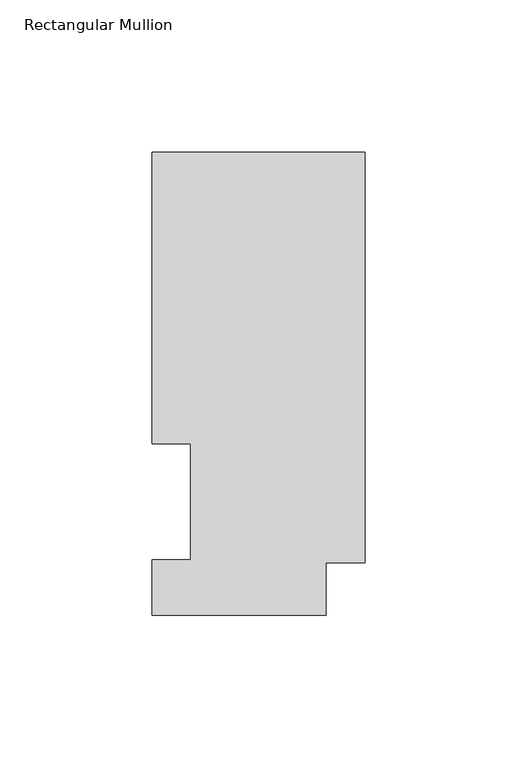
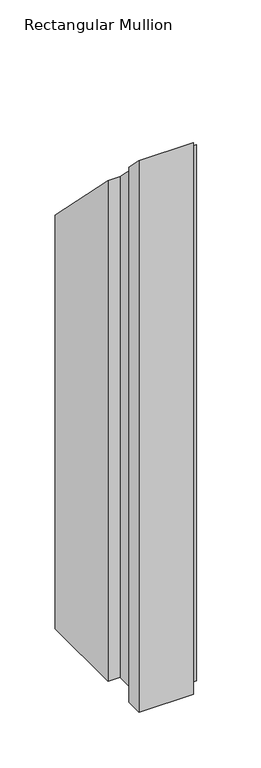
"""IFC4 building model written with IfcOpenShell, lengths in millimetres: member geometry, Rectangular Mullion."""

from ifc_helpers import new_model, si_unit, origin, place, context, project, spatial, faceted_brep, source, transform, mapped, element, save


def rectangular_mullion_3b53fca7(model_context):
    return source(origin(), model_context, "Body", "Brep", [
        faceted_brep([(0.0, 151.98725, -609.6), (0.0, 17.2502496, -609.6), (-12.7, 17.2502496, -609.6), (-12.7, -0.03175, -609.6), (-69.85, -0.03175, -609.6), (-69.85, 18.25625, -609.6), (-57.15, 18.25625, -609.6), (-57.15, 56.35625, -609.6), (-69.85, 56.35625, -609.6), (-69.85, 151.98725, -609.6), (-69.85, 151.98725, -151.98725), (0.0, 151.98725, -151.98725), (-69.85, 56.35625, -56.35625), (-57.15, 56.35625, -56.35625), (-57.15, 18.25625, -18.25625), (-69.85, 18.25625, -18.25625), (-69.85, -0.03175, 0.03175), (-12.7, -0.03175, 0.03175), (-12.7, 17.2502496, -17.2502496), (0.0, 17.2502496, -17.2502496)], [[[0, 1, 2, 3, 4, 5, 6, 7, 8, 9]], [[10, 11, 0, 9]], [[12, 10, 9, 8]], [[13, 12, 8, 7]], [[14, 13, 7, 6]], [[15, 14, 6, 5]], [[16, 15, 5, 4]], [[17, 16, 4, 3]], [[18, 17, 3, 2]], [[19, 18, 2, 1]], [[11, 19, 1, 0]], [[11, 10, 12, 13, 14, 15, 16, 17, 18, 19]]]),
    ])


if __name__ == "__main__":
    model = new_model("IFC4")
    model_context = context("Model", 3, world=origin())
    ifc_project = project(units=[si_unit("LENGTHUNIT", "METRE", prefix="MILLI")], contexts=[model_context])
    site = spatial("IfcSite", under=ifc_project)
    building = spatial("IfcBuilding", under=site)
    placement = place(None, origin())
    rectangular_mullion_shape = rectangular_mullion_3b53fca7(model_context)
    element("IfcMember", 1, ObjectType="Rectangular Mullion", at=placement, inside=building, context=model_context, shape_type="MappedRepresentation", body=[
        mapped(rectangular_mullion_shape, transform((0.0, 0.0, 0.0), x_axis=(1.0, 0.0, 0.0), y_axis=(0.0, 1.0, 0.0), z_axis=(0.0, 0.0, 1.0))),
    ])
    save(model, "model.ifc")
